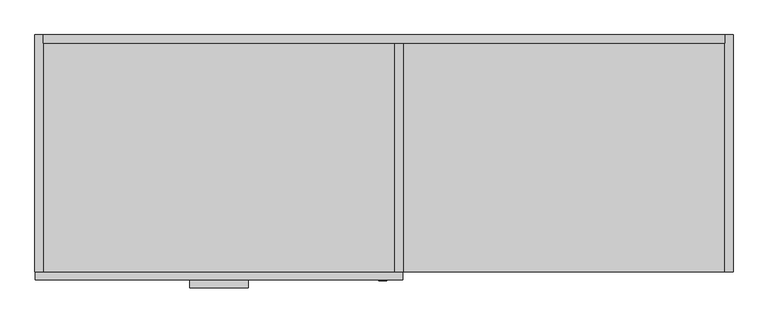
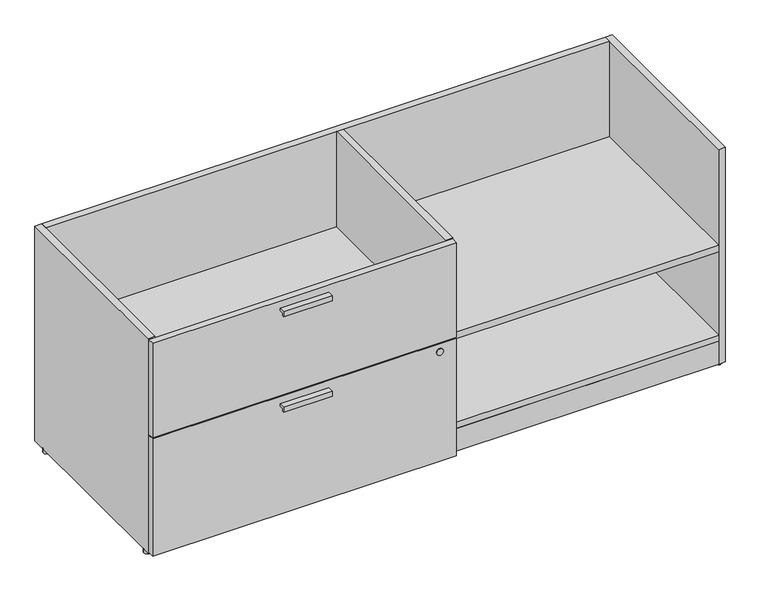
"""IFC4 building model written with IfcOpenShell, lengths in millimetres: furniture geometry."""

from ifc_helpers import new_model, si_unit, point, frame, frame_2d, origin, origin_with_axes, place, context, project, spatial, polyline, circle_curve, trimmed, segment, composite_curve, outline, extrude, source, transform, mapped, element, save


def furniture_cd0a16e4(model_context):
    return source(origin(), model_context, "Body", "SweptSolid", [
        extrude(outline(polyline([(-628.7721736, 365.125), (-609.6, 365.125), (-609.6, 357.1748), (-624.332, 357.1748), (-624.332, 349.2246), (-628.7721736, 349.2246), (-628.7721736, 365.125)])), frame((384.175, 0.0, 0.0), z_axis=(1.0, 0.0, 0.0), x_axis=(0.0, 1.0, 0.0)), (0.0, 0.0, 1.0), 146.05),
        extrude(outline(polyline([(-628.7721736, 668.3502), (-609.6, 668.3502), (-609.6, 660.4), (-624.332, 660.4), (-624.332, 652.4498), (-628.7721736, 652.4498), (-628.7721736, 668.3502)])), frame((384.175, 0.0, 0.0), z_axis=(1.0, 0.0, 0.0), x_axis=(0.0, 1.0, 0.0)), (0.0, 0.0, 1.0), 146.05),
        extrude(outline(polyline([(1713.23, -589.28), (914.4, -589.28), (914.4, -566.42), (1713.23, -566.42), (1713.23, -589.28)])), frame((0.0, 0.0, 12.7), z_axis=(0.0, 0.0, 1.0), x_axis=(1.0, 0.0, 0.0)), (0.0, 0.0, 1.0), 72.39),
        extrude(outline(polyline([(894.08, -589.28), (20.32, -589.28), (20.32, -566.42), (894.08, -566.42), (894.08, -589.28)])), frame((0.0, 0.0, 12.7), z_axis=(0.0, 0.0, 1.0), x_axis=(1.0, 0.0, 0.0)), (0.0, 0.0, 1.0), 72.39),
        extrude(outline(polyline([(894.08, -589.28), (20.32, -589.28), (20.32, -20.32), (894.08, -20.32), (894.08, -589.28)])), frame((0.0, 0.0, 85.09), z_axis=(0.0, 0.0, 1.0), x_axis=(1.0, 0.0, 0.0)), (0.0, 0.0, 1.0), 20.32),
        extrude(outline(polyline([(1713.23, -589.28), (914.4, -589.28), (914.4, -20.32), (1713.23, -20.32), (1713.23, -589.28)])), frame((0.0, 0.0, 85.09), z_axis=(0.0, 0.0, 1.0), x_axis=(1.0, 0.0, 0.0)), (0.0, 0.0, 1.0), 20.32),
        extrude(outline(polyline([(1713.23, -589.28), (914.4, -589.28), (914.4, -20.32), (1713.23, -20.32), (1713.23, -589.28)])), frame((0.0, 0.0, 370.205), z_axis=(0.0, 0.0, 1.0), x_axis=(1.0, 0.0, 0.0)), (0.0, 0.0, 1.0), 20.32),
        extrude(outline(polyline([(894.08, -589.28), (20.32, -589.28), (20.32, -20.32), (894.08, -20.32), (894.08, -589.28)])), frame((0.0, 0.0, 370.205), z_axis=(0.0, 0.0, 1.0), x_axis=(1.0, 0.0, 0.0)), (0.0, 0.0, 1.0), 20.32),
        extrude(outline(composite_curve([segment(trimmed(circle_curve(frame_2d((362.585, 863.6)), 10.16), [point((362.585, 853.44))], [point((362.585, 873.76))], False, "CARTESIAN"), True, "CONTINUOUS"), segment(trimmed(circle_curve(frame_2d((362.585, 863.6)), 10.16), [point((362.585, 873.76))], [point((362.585, 853.44))], False, "CARTESIAN"), True, "CONTINUOUS")], self_intersect=False)), frame((0.0, -612.14, 0.0), z_axis=(0.0, 1.0, 0.0), x_axis=(0.0, 0.0, 1.0)), (0.0, 0.0, 1.0), 2.54),
        extrude(outline(composite_curve([segment(trimmed(circle_curve(frame_2d((10.16, -43.18)), 10.16), [point((0.0, -43.18))], [point((20.32, -43.18))], False, "CARTESIAN"), True, "CONTINUOUS"), segment(trimmed(circle_curve(frame_2d((10.16, -43.18)), 10.16), [point((20.32, -43.18))], [point((0.0, -43.18))], False, "CARTESIAN"), True, "CONTINUOUS")], self_intersect=False)), origin_with_axes(), (0.0, 0.0, 1.0), 12.7),
        extrude(outline(composite_curve([segment(trimmed(circle_curve(frame_2d((904.24, -43.18)), 10.16), [point((894.08, -43.18))], [point((914.4, -43.18))], False, "CARTESIAN"), True, "CONTINUOUS"), segment(trimmed(circle_curve(frame_2d((904.24, -43.18)), 10.16), [point((914.4, -43.18))], [point((894.08, -43.18))], False, "CARTESIAN"), True, "CONTINUOUS")], self_intersect=False)), origin_with_axes(), (0.0, 0.0, 1.0), 12.7),
        extrude(outline(composite_curve([segment(trimmed(circle_curve(frame_2d((10.16, -566.42)), 10.16), [point((0.0, -566.42))], [point((20.32, -566.42))], False, "CARTESIAN"), True, "CONTINUOUS"), segment(trimmed(circle_curve(frame_2d((10.16, -566.42)), 10.16), [point((20.32, -566.42))], [point((0.0, -566.42))], False, "CARTESIAN"), True, "CONTINUOUS")], self_intersect=False)), origin_with_axes(), (0.0, 0.0, 1.0), 12.7),
        extrude(outline(composite_curve([segment(trimmed(circle_curve(frame_2d((904.24, -566.42)), 10.16), [point((894.08, -566.42))], [point((914.4, -566.42))], False, "CARTESIAN"), True, "CONTINUOUS"), segment(trimmed(circle_curve(frame_2d((904.24, -566.42)), 10.16), [point((914.4, -566.42))], [point((894.08, -566.42))], False, "CARTESIAN"), True, "CONTINUOUS")], self_intersect=False)), origin_with_axes(), (0.0, 0.0, 1.0), 12.7),
        extrude(outline(composite_curve([segment(trimmed(circle_curve(frame_2d((1723.39, -43.18)), 10.16), [point((1713.23, -43.18))], [point((1733.55, -43.18))], False, "CARTESIAN"), True, "CONTINUOUS"), segment(trimmed(circle_curve(frame_2d((1723.39, -43.18)), 10.16), [point((1733.55, -43.18))], [point((1713.23, -43.18))], False, "CARTESIAN"), True, "CONTINUOUS")], self_intersect=False)), origin_with_axes(), (0.0, 0.0, 1.0), 12.7),
        extrude(outline(composite_curve([segment(trimmed(circle_curve(frame_2d((1723.39, -566.42)), 10.16), [point((1713.23, -566.42))], [point((1733.55, -566.42))], False, "CARTESIAN"), True, "CONTINUOUS"), segment(trimmed(circle_curve(frame_2d((1723.39, -566.42)), 10.16), [point((1733.55, -566.42))], [point((1713.23, -566.42))], False, "CARTESIAN"), True, "CONTINUOUS")], self_intersect=False)), origin_with_axes(), (0.0, 0.0, 1.0), 12.7),
        extrude(outline(polyline([(913.13, -590.55), (913.13, -609.6), (1.27, -609.6), (1.27, -590.55), (913.13, -590.55)])), frame((0.0, 0.0, 390.525), z_axis=(0.0, 0.0, 1.0), x_axis=(1.0, 0.0, 0.0)), (0.0, 0.0, 1.0), 300.6852),
        extrude(outline(polyline([(913.13, -590.55), (913.13, -609.6), (1.27, -609.6), (1.27, -590.55), (913.13, -590.55)])), frame((0.0, 0.0, 15.24), z_axis=(0.0, 0.0, 1.0), x_axis=(1.0, 0.0, 0.0)), (0.0, 0.0, 1.0), 372.745),
        extrude(outline(polyline([(1713.23, 0.0), (1713.23, -20.32), (20.32, -20.32), (20.32, 0.0), (1713.23, 0.0)])), frame((0.0, 0.0, 12.7), z_axis=(0.0, 0.0, 1.0), x_axis=(1.0, 0.0, 0.0)), (0.0, 0.0, 1.0), 681.0502),
        extrude(outline(polyline([(20.32, 0.0), (20.32, -589.28), (0.0, -589.28), (0.0, 0.0), (20.32, 0.0)])), frame((0.0, 0.0, 12.7), z_axis=(0.0, 0.0, 1.0), x_axis=(1.0, 0.0, 0.0)), (0.0, 0.0, 1.0), 681.0502),
        extrude(outline(polyline([(894.08, -20.32), (914.4, -20.32), (914.4, -589.28), (894.08, -589.28), (894.08, -20.32)])), frame((0.0, 0.0, 12.7), z_axis=(0.0, 0.0, 1.0), x_axis=(1.0, 0.0, 0.0)), (0.0, 0.0, 1.0), 681.0502),
        extrude(outline(polyline([(1733.55, 0.0), (1733.55, -589.28), (1713.23, -589.28), (1713.23, 0.0), (1733.55, 0.0)])), frame((0.0, 0.0, 12.7), z_axis=(0.0, 0.0, 1.0), x_axis=(1.0, 0.0, 0.0)), (0.0, 0.0, 1.0), 681.0502),
    ])


if __name__ == "__main__":
    model = new_model("IFC4")
    model_context = context("Model", 3, world=origin())
    ifc_project = project(units=[si_unit("LENGTHUNIT", "METRE", prefix="MILLI")], contexts=[model_context])
    site = spatial("IfcSite", under=ifc_project)
    building = spatial("IfcBuilding", under=site)
    placement = place(None, origin())
    furniture_shape = furniture_cd0a16e4(model_context)
    element("IfcFurniture", 1, at=placement, inside=building, context=model_context, shape_type="MappedRepresentation", body=[
        mapped(furniture_shape, transform((0.0, 0.0, 0.0), x_axis=(1.0, 0.0, 0.0), y_axis=(0.0, 1.0, 0.0), z_axis=(0.0, 0.0, 1.0))),
    ])
    save(model, "model.ifc")
